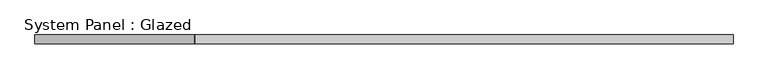
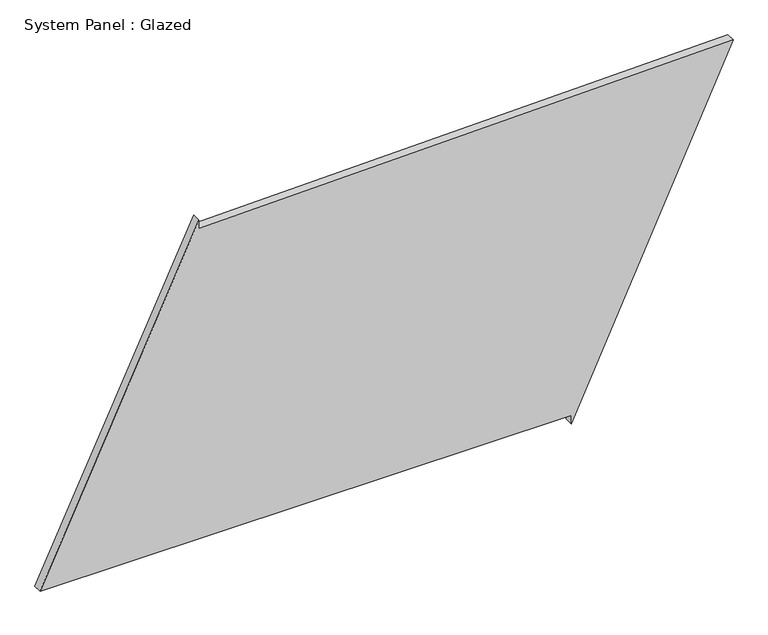
"""IFC4 building model written with IfcOpenShell, lengths in millimetres: plate geometry, System Panel : Glazed."""

from ifc_helpers import new_model, si_unit, frame, origin, place, context, project, spatial, polyline, outline, extrude, source, transform, mapped, element, save


def system_panel_glazed_f5d30acd(model_context):
    return source(origin(), model_context, "Body", "SweptSolid", [
        extrude(outline(polyline([(25.0, 521.1446681), (0.0, 521.1446681), (986.0641848, 977.313692), (950.9693779, -529.0618156), (975.962596, -529.6440955), (25.0, -977.313692), (25.0, 521.1446681)])), frame((0.0, -49.5, 0.0), z_axis=(0.0, 1.0, 0.0), x_axis=(0.0, 0.0, 1.0)), (0.0, 0.0, 1.0), 25.0),
    ])


if __name__ == "__main__":
    model = new_model("IFC4")
    model_context = context("Model", 3, world=origin())
    ifc_project = project(units=[si_unit("LENGTHUNIT", "METRE", prefix="MILLI")], contexts=[model_context])
    site = spatial("IfcSite", under=ifc_project)
    building = spatial("IfcBuilding", under=site)
    placement = place(None, origin())
    system_panel_glazed_shape = system_panel_glazed_f5d30acd(model_context)
    element("IfcPlate", 1, ObjectType="System Panel : Glazed", at=placement, inside=building, context=model_context, shape_type="MappedRepresentation", body=[
        mapped(system_panel_glazed_shape, transform((0.0, 0.0, 0.0), x_axis=(1.0, 0.0, 0.0), y_axis=(0.0, 1.0, 0.0), z_axis=(0.0, 0.0, 1.0))),
    ])
    save(model, "model.ifc")
